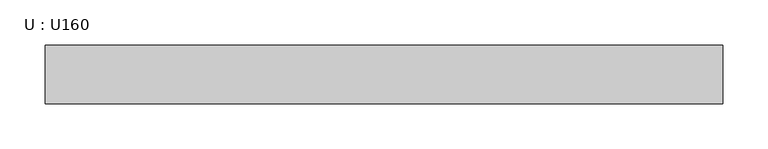
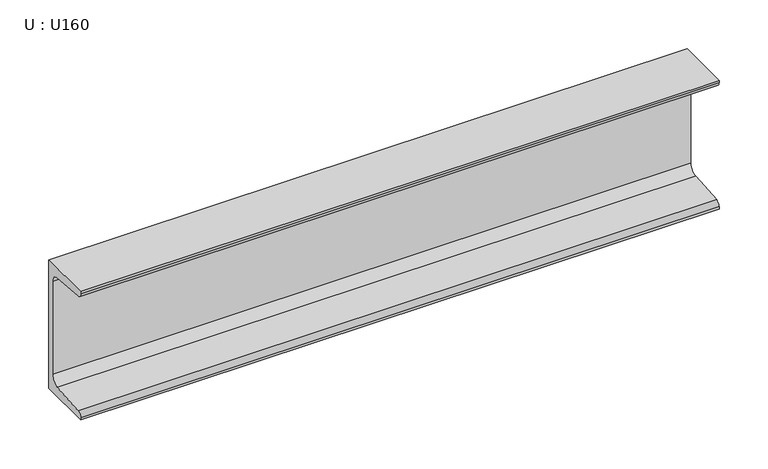
"""IFC4 building model written with IfcOpenShell, lengths in millimetres: beam geometry, U : U160."""

from ifc_helpers import new_model, si_unit, point, frame, frame_2d, origin, place, context, project, spatial, polyline, circle_curve, trimmed, segment, composite_curve, outline, extrude, source, transform, mapped, element, save


def u_u160_3aa66f7c(model_context):
    return source(origin(), model_context, "Body", "SweptSolid", [
        extrude(outline(composite_curve([segment(polyline([(18.4, 80.0), (18.4, -80.0), (-46.6, -80.0), (-46.6, -77.1756821)]), True, "CONTINUOUS"), segment(trimmed(circle_curve(frame_2d((-41.1, -77.1756821)), 5.5), [point((-46.6, -77.1756821))], [point((-41.5382235, -71.693168))], False, "CARTESIAN"), True, "CONTINUOUS"), segment(polyline([(-41.5382235, -71.693168), (1.2366085, -68.2741277)]), True, "CONTINUOUS"), segment(trimmed(circle_curve(frame_2d((0.4, -57.8075099)), 10.5), [point((1.2366085, -68.2741277))], [point((10.9, -57.8075099))], True, "CARTESIAN"), True, "CONTINUOUS"), segment(polyline([(10.9, -57.8075099), (10.9, 57.8075099)]), True, "CONTINUOUS"), segment(trimmed(circle_curve(frame_2d((0.4, 57.8075099)), 10.5), [point((10.9, 57.8075099))], [point((1.2366085, 68.2741277))], True, "CARTESIAN"), True, "CONTINUOUS"), segment(polyline([(1.2366085, 68.2741277), (-41.5382235, 71.693168)]), True, "CONTINUOUS"), segment(trimmed(circle_curve(frame_2d((-41.1, 77.1756821)), 5.5), [point((-41.5382235, 71.693168))], [point((-46.6, 77.1756821))], False, "CARTESIAN"), True, "CONTINUOUS"), segment(polyline([(-46.6, 77.1756821), (-46.6, 80.0), (18.4, 80.0)]), True, "CONTINUOUS")], self_intersect=False)), frame((-376.0, 0.0, 0.0), z_axis=(1.0, 0.0, 0.0), x_axis=(0.0, 1.0, 0.0)), (0.0, 0.0, 1.0), 752.0),
    ])


if __name__ == "__main__":
    model = new_model("IFC4")
    model_context = context("Model", 3, world=origin())
    ifc_project = project(units=[si_unit("LENGTHUNIT", "METRE", prefix="MILLI")], contexts=[model_context])
    site = spatial("IfcSite", under=ifc_project)
    building = spatial("IfcBuilding", under=site)
    placement = place(None, origin())
    u_u160_shape = u_u160_3aa66f7c(model_context)
    element("IfcBeam", 1, ObjectType="U : U160", at=placement, inside=building, context=model_context, shape_type="MappedRepresentation", body=[
        mapped(u_u160_shape, transform((0.0, 0.0, 0.0), x_axis=(1.0, 0.0, 0.0), y_axis=(0.0, 1.0, 0.0), z_axis=(0.0, 0.0, 1.0))),
    ])
    save(model, "model.ifc")
